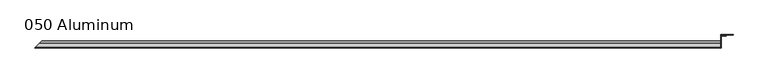
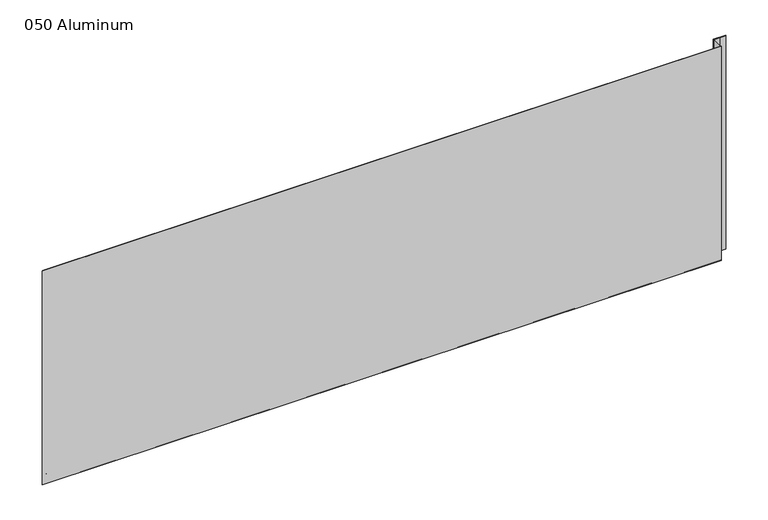
"""IFC4 building model written with IfcOpenShell, lengths in millimetres: plate geometry, 050 Aluminum."""

from ifc_helpers import new_model, si_unit, frame, origin, origin_with_axes, place, context, project, spatial, polyline, circle_curve, ellipse_curve, outline, extrude, source, transform, mapped, element, save
from ifc_brep_helpers import plane_surface, cylinder_surface, revolved_surface, advanced_brep


def plate_050_aluminum_01c05832(model_context):
    return source(origin(), model_context, "Body", "SolidModel", [
        advanced_brep(
        [(906.7800002, -16.6765477, 13.1458337), (906.7800002, -23.0264743, 13.124237), (906.7800002, -23.0264743, 1.2693678), (906.7800002, -34.7980002, 1.2693678), (906.7800002, -34.7980002, 0.0), (906.7800002, -21.7564743, 0.0), (906.7800002, -21.7564743, 13.124237), (906.7800002, -17.9464915, 13.1323356), (906.7800002, -17.9464915, 2.786437), (906.7800002, -16.6765477, 2.786437), (-937.4265479, -16.6765477, 2.786437), (-937.4265479, -16.6765477, 13.1458337), (-938.6964916, -17.9464915, 2.786437), (-938.6964916, -17.9464915, 13.1323356), (-942.5064744, -21.7564743, 13.124237), (-942.5064744, -21.7564743, 0.0), (-955.5480002, -34.7980002, 0.0), (-955.5480002, -34.7980002, 1.2693678), (-943.7764744, -23.0264743, 1.2693678), (-943.7764744, -23.0264743, 13.124237)],
        [
            (0, 1, circle_curve(frame((906.7800002, -19.8514743, 13.124237), z_axis=(1.0, 0.0, 0.0), x_axis=(0.0, 0.0, -1.0)), 3.175)),
            (1, 2),
            (2, 3),
            (3, 4),
            (4, 5),
            (5, 6),
            (6, 7, circle_curve(frame((906.7800002, -19.8514743, 13.124237), z_axis=(-1.0, 0.0, 0.0), x_axis=(0.0, 0.0, -1.0)), 1.905)),
            (7, 8),
            (8, 9),
            (9, 0),
            (9, 10),
            (10, 11),
            (11, 0),
            (8, 12),
            (12, 10),
            (7, 13),
            (13, 12),
            (6, 14),
            (14, 13, ellipse_curve(frame((-940.6014744, -19.8514743, 13.124237), z_axis=(-0.7071067811865465, 0.7071067811865488, 0.0), x_axis=(0.7071067811865486, 0.7071067811865465, 0.0)), 2.6940768, 1.905)),
            (5, 15),
            (15, 14),
            (4, 16),
            (16, 15),
            (3, 17),
            (17, 16),
            (2, 18),
            (18, 17),
            (1, 19),
            (19, 18),
            (11, 19, ellipse_curve(frame((-940.6014744, -19.8514743, 13.124237), z_axis=(0.7071067811865465, -0.7071067811865488, 0.0), x_axis=(-0.7071067811865486, -0.7071067811865465, 0.0)), 4.4901281, 3.175)),
        ],
        [
            plane_surface(frame((906.7800002, -36.068, 0.0), z_axis=(1.0, 0.0, 0.0), x_axis=(0.0, 0.0, 1.0))),
            plane_surface(frame((-955.5480002, -16.6765477, 13.1458337), z_axis=(0.0, 1.0, 0.0), x_axis=(1.0, 0.0, 0.0))),
            plane_surface(frame((-955.5480002, -16.6765477, 2.786437), z_axis=(0.0, 0.0, -1.0), x_axis=(1.0, 0.0, 0.0))),
            plane_surface(frame((-955.5480002, -17.9464915, 2.786437), z_axis=(0.0, -1.0, 0.0), x_axis=(1.0, 0.0, 0.0))),
            revolved_surface(polyline([(906.7800002, -19.8514743, 11.219237000000001), (-942.5064744, -19.8514743, 11.219237000000001)]), (-955.5480002, -19.8514743, 13.124237), (1.0, 0.0, 0.0)),
            plane_surface(frame((-955.5480002, -21.7564743, 13.124237), z_axis=(0.0, 1.0, 0.0), x_axis=(1.0, 0.0, 0.0))),
            plane_surface(frame((-955.5480002, -21.7564743, 0.0), z_axis=(0.0, 0.0, -1.0), x_axis=(1.0, 0.0, 0.0))),
            plane_surface(frame((-955.5480002, -34.7980002, 0.0), z_axis=(0.0, -1.0, 0.0), x_axis=(1.0, 0.0, 0.0))),
            plane_surface(frame((-955.5480002, -34.7980002, 1.2693678), z_axis=(0.0, 0.0, 1.0), x_axis=(1.0, 0.0, 0.0))),
            plane_surface(frame((-955.5480002, -23.0264743, 1.2693678), z_axis=(0.0, -1.0, 0.0), x_axis=(1.0, 0.0, 0.0))),
            cylinder_surface(frame((-955.5480002, -19.8514743, 13.124237), z_axis=(-1.0, 0.0, 0.0), x_axis=(0.0, 0.0, -1.0)), 3.175),
            plane_surface(frame((-956.8180002, -36.068, 795.4549971), z_axis=(-0.7071067811865465, 0.7071067811865488, 0.0), x_axis=(0.0, 0.0, -1.0))),
        ],
        [
            (0, [[1, 2, 3, 4, 5, 6, 7, 8, 9, 10]]),
            (1, [[-10, 11, 12, 13]]),
            (2, [[-9, 14, 15, -11]]),
            (3, [[-8, 16, 17, -14]]),
            (4, [[-7, 18, 19, -16]]),
            (5, [[-6, 20, 21, -18]]),
            (6, [[-5, 22, 23, -20]]),
            (7, [[-4, 24, 25, -22]]),
            (8, [[-3, 26, 27, -24]]),
            (9, [[-2, 28, 29, -26]]),
            (10, [[-1, -13, 30, -28]]),
            (11, [[-12, -15, -17, -19, -21, -23, -25, -27, -29, -30]]),
        ],
    ),
        extrude(outline(polyline([(908.0500002, -34.7980001), (908.0500002, -36.068), (-956.8180002, -36.068), (-955.5480002, -34.7980001), (908.0500002, -34.7980001)])), origin_with_axes(), (0.0, 0.0, 1.0), 622.3),
        extrude(outline(polyline([(908.0500002, -1.2699999), (908.0500002, -34.7980002), (906.7800002, -34.7980002), (906.7800002, 0.0), (940.5620858, 0.0), (940.5620858, -1.2699999), (908.0500002, -1.2699999)])), origin_with_axes(), (0.0, 0.0, 1.0), 621.03),
        extrude(outline(polyline([(906.7800002, -3.3274743), (906.7800002, -2.0574743), (922.5280001, -2.0574743), (922.5280001, -3.3274743), (906.7800002, -3.3274743)])), origin_with_axes(), (0.0, 0.0, 1.0), 622.3),
    ])


if __name__ == "__main__":
    model = new_model("IFC4")
    model_context = context("Model", 3, world=origin())
    ifc_project = project(units=[si_unit("LENGTHUNIT", "METRE", prefix="MILLI")], contexts=[model_context])
    site = spatial("IfcSite", under=ifc_project)
    building = spatial("IfcBuilding", under=site)
    placement = place(None, origin())
    plate_050_aluminum_shape = plate_050_aluminum_01c05832(model_context)
    element("IfcPlate", 1, ObjectType="050 Aluminum", at=placement, inside=building, context=model_context, shape_type="MappedRepresentation", body=[
        mapped(plate_050_aluminum_shape, transform((0.0, 0.0, 0.0), x_axis=(1.0, 0.0, 0.0), y_axis=(0.0, 1.0, 0.0), z_axis=(0.0, 0.0, 1.0))),
    ])
    save(model, "model.ifc")
